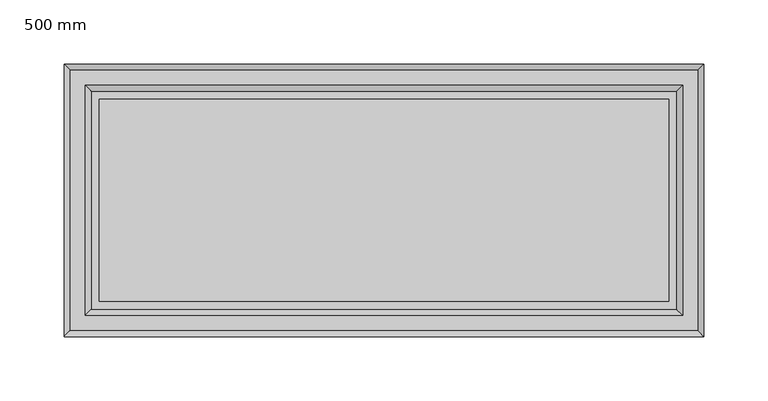
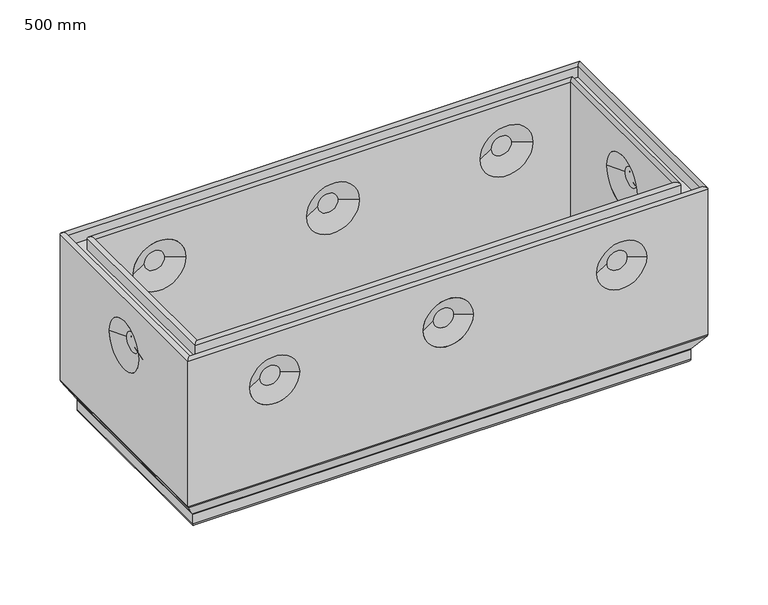
"""IFC4 building model written with IfcOpenShell, lengths in millimetres: proxy geometry, 500 mm."""

from ifc_helpers import new_model, si_unit, frame, origin, place, context, project, spatial, polyline, circle_curve, ellipse_curve, outline, extrude, source, transform, mapped, element, save
from ifc_brep_helpers import plane_surface, cylinder_surface, revolved_surface, advanced_brep


def proxy_500_mm_a37d026f(model_context):
    return source(origin(), model_context, "Body", "SolidModel", [
        advanced_brep(
        [(471.9583184, 78.5563946, 0.0), (471.9583184, 78.5563946, -18.8303869), (471.9583184, -78.9583184, -18.8303869), (471.9583184, -78.9583184, 0.0), (478.4019238, 85.0, 159.4090799), (478.4019238, 85.0, 0.0), (478.4019238, -85.4019238, 0.0), (478.4019238, -85.4019238, 159.4090799), (478.4019238, -25.4516455, 111.3137619), (478.4019238, 25.0497217, 111.3137619), (482.9119238, -89.9119238, 159.4090799), (482.9119238, 89.51, 159.4090799), (482.9119238, -89.9119238, 148.4640799), (482.9119238, 89.51, 148.4640799), (494.8919238, 101.49, 159.4094667), (494.8919238, 101.49, 148.4640799), (494.8919238, -101.8919238, 148.4640799), (494.8919238, -101.8919238, 159.4094667), (499.4019238, -106.4019238, 159.4094667), (499.4019238, 106.0, 159.4094667), (499.4019238, -106.4019238, 11.767597), (499.4019238, 106.0, 11.767597), (499.4019238, 24.1333103, 111.3137619), (499.4019238, -24.5352341, 111.3137619), (498.9320981, -105.9320981, 10.1556982), (498.9320981, 105.5301743, 10.1556982), (489.1932312, -96.1932312, -5.1312607), (489.1932312, 95.7913074, -5.1312607), (488.9583184, -95.9583184, -5.9372101), (488.9583184, 95.5563946, -5.9372101), (488.9583184, -95.9583184, -15.8303869), (488.9583184, 95.5563946, -15.8303869), (485.9583184, -92.9583184, -18.8303869), (485.9583184, 92.5563946, -18.8303869), (28.0416816, -78.9583184, -18.8303869), (28.0416816, -78.9583184, 0.0), (21.5980762, -85.4019238, 0.0), (21.5980762, -85.4019238, 159.4090799), (58.4993164, -85.4019238, 111.3137619), (109.0006836, -85.4019238, 111.3137619), (224.9993164, -85.4019238, 111.3137619), (275.5006836, -85.4019238, 111.3137619), (391.4993164, -85.4019238, 111.3137619), (442.0006836, -85.4019238, 111.3137619), (17.0880762, -89.9119238, 159.4090799), (17.0880762, -89.9119238, 148.4640799), (5.1080762, -101.8919238, 148.4640799), (5.1080762, -101.8919238, 159.4094667), (0.5980762, -106.4019238, 159.4094667), (0.5980762, -106.4019238, 11.767597), (107.6260665, -106.4019238, 111.3137619), (59.8739335, -106.4019238, 111.3137619), (274.1260665, -106.4019238, 111.3137619), (226.3739335, -106.4019238, 111.3137619), (440.6260665, -106.4019238, 111.3137619), (392.8739335, -106.4019238, 111.3137619), (1.0679019, -105.9320981, 10.1556982), (10.8067688, -96.1932312, -5.1312607), (11.0416816, -95.9583184, -5.9372101), (11.0416816, -95.9583184, -15.8303869), (14.0416816, -92.9583184, -18.8303869), (28.0416816, 78.5563946, -18.8303869), (28.0416816, 78.5563946, 0.0), (21.5980762, 85.0, 0.0), (21.5980762, 85.0, 159.4090799), (21.5980762, 25.0497217, 111.3137619), (21.5980762, -25.4516455, 111.3137619), (17.0880762, 89.51, 159.4090799), (17.0880762, 89.51, 148.4640799), (5.1080762, 101.49, 148.4640799), (5.1080762, 101.49, 159.4094667), (0.5980762, 106.0, 159.4094667), (0.5980762, 106.0, 11.767597), (0.5980762, -24.5352341, 111.3137619), (0.5980762, 24.1333103, 111.3137619), (1.0679019, 105.5301743, 10.1556982), (10.8067688, 95.7913074, -5.1312607), (11.0416816, 95.5563946, -5.9372101), (11.0416816, 95.5563946, -15.8303869), (14.0416816, 92.5563946, -18.8303869), (109.0006836, 85.0, 111.3137619), (58.4993164, 85.0, 111.3137619), (275.5006836, 85.0, 111.3137619), (224.9993164, 85.0, 111.3137619), (442.0006836, 85.0, 111.3137619), (391.4993164, 85.0, 111.3137619), (59.4157278, 106.0, 111.3137619), (108.0842722, 106.0, 111.3137619), (225.9157278, 106.0, 111.3137619), (274.5842722, 106.0, 111.3137619), (392.4157278, 106.0, 111.3137619), (441.0842722, 106.0, 111.3137619), (74.1699511, 97.95, 111.3137619), (93.3300489, 97.95, 111.3137619), (74.1699511, -93.9519238, 111.3137619), (93.3300489, -93.9519238, 111.3137619), (240.6699511, 97.95, 111.3137619), (259.8300489, 97.95, 111.3137619), (240.6699511, -93.9519238, 111.3137619), (259.8300489, -93.9519238, 111.3137619), (407.1699511, 97.95, 111.3137619), (426.3300489, 97.95, 111.3137619), (407.1699511, -93.9519238, 111.3137619), (426.3300489, -93.9519238, 111.3137619), (74.1699511, 93.55, 111.3137619), (93.3300489, 93.55, 111.3137619), (240.6699511, 93.55, 111.3137619), (259.8300489, 93.55, 111.3137619), (407.1699511, 93.55, 111.3137619), (426.3300489, 93.55, 111.3137619), (74.1699511, -98.6019238, 111.3137619), (93.3300489, -98.6019238, 111.3137619), (240.6699511, -98.6019238, 111.3137619), (259.8300489, -98.6019238, 111.3137619), (407.1699511, -98.6019238, 111.3137619), (426.3300489, -98.6019238, 111.3137619), (8.6480762, -9.7810108, 111.3137619), (8.6480762, 9.379087, 111.3137619), (13.0480762, -9.7810108, 111.3137619), (13.0480762, 9.379087, 111.3137619), (491.3519238, -9.7810108, 111.3137619), (491.3519238, 9.379087, 111.3137619), (486.9519238, -9.7810108, 111.3137619), (486.9519238, 9.379087, 111.3137619)],
        [
            (0, 1),
            (1, 2),
            (2, 3),
            (3, 0),
            (4, 5),
            (5, 6),
            (6, 7),
            (7, 4),
            (8, 9, circle_curve(frame((478.4019238, -0.2009619, 111.3137619), z_axis=(1.0, 0.0, 0.0), x_axis=(0.0, 1.0, 0.0)), 25.2506836)),
            (9, 8, circle_curve(frame((478.4019238, -0.2009619, 111.3137619), z_axis=(1.0, 0.0, 0.0), x_axis=(0.0, -1.0, 0.0)), 25.2506836)),
            (7, 10, ellipse_curve(frame((480.6569238, -87.6569238, 159.4090799), z_axis=(0.7071067811865475, 0.7071067811865475, 0.0), x_axis=(-0.7071067811865474, 0.7071067811865476, 0.0)), 3.1890516, 2.255)),
            (10, 11),
            (11, 4, ellipse_curve(frame((480.6569238, 87.255, 159.4090799), z_axis=(0.7071067811865475, -0.7071067811865475, 0.0), x_axis=(0.7071067811865474, 0.7071067811865476, 0.0)), 3.1890516, 2.255)),
            (10, 12),
            (12, 13),
            (13, 11),
            (14, 15),
            (15, 16),
            (16, 17),
            (17, 14),
            (17, 18, ellipse_curve(frame((497.1469238, -104.1469238, 159.4094667), z_axis=(0.7071067811865475, 0.7071067811865475, 0.0), x_axis=(-0.7071067811865474, 0.7071067811865476, 0.0)), 3.1890516, 2.255)),
            (18, 19),
            (19, 14, ellipse_curve(frame((497.1469238, 103.745, 159.4094667), z_axis=(0.7071067811865475, -0.7071067811865475, 0.0), x_axis=(0.7071067811865474, 0.7071067811865476, 0.0)), 3.1890516, 2.255)),
            (18, 20),
            (20, 21),
            (21, 19),
            (22, 23, circle_curve(frame((499.4019238, -0.2009619, 111.3137619), z_axis=(-1.0, 0.0, 0.0), x_axis=(0.0, -1.0, 0.0)), 24.3342722)),
            (23, 22, circle_curve(frame((499.4019238, -0.2009619, 111.3137619), z_axis=(-1.0, 0.0, 0.0), x_axis=(0.0, 1.0, 0.0)), 24.3342722)),
            (20, 24, ellipse_curve(frame((496.4019238, -103.4019238, 11.767597), z_axis=(0.7071067811865475, 0.7071067811865475, 0.0), x_axis=(-0.7071067811865474, 0.7071067811865476, 0.0)), 4.2426407, 3.0)),
            (24, 25),
            (25, 21, ellipse_curve(frame((496.4019238, 103.0, 11.767597), z_axis=(0.7071067811865475, -0.7071067811865475, 0.0), x_axis=(0.7071067811865474, 0.7071067811865476, 0.0)), 4.2426407, 3.0)),
            (24, 26),
            (26, 27),
            (27, 25),
            (26, 28, ellipse_curve(frame((490.4583184, -97.4583184, -5.9372101), z_axis=(-0.7071067811865475, -0.7071067811865475, 0.0), x_axis=(0.7071067811865474, -0.7071067811865476, 0.0)), 2.1213203, 1.5)),
            (28, 29),
            (29, 27, ellipse_curve(frame((490.4583184, 97.0563946, -5.9372101), z_axis=(-0.7071067811865475, 0.7071067811865475, 0.0), x_axis=(-0.7071067811865474, -0.7071067811865476, 0.0)), 2.1213203, 1.5)),
            (28, 30),
            (30, 31),
            (31, 29),
            (30, 32, ellipse_curve(frame((485.9583184, -92.9583184, -15.8303869), z_axis=(0.7071067811865475, 0.7071067811865475, 0.0), x_axis=(-0.7071067811865474, 0.7071067811865476, 0.0)), 4.2426407, 3.0)),
            (32, 33),
            (33, 31, ellipse_curve(frame((485.9583184, 92.5563946, -15.8303869), z_axis=(0.7071067811865475, -0.7071067811865475, 0.0), x_axis=(0.7071067811865474, 0.7071067811865476, 0.0)), 4.2426407, 3.0)),
            (2, 34),
            (34, 35),
            (35, 3),
            (6, 36),
            (36, 37),
            (37, 7),
            (38, 39, circle_curve(frame((83.75, -85.4019238, 111.3137619), z_axis=(0.0, -1.0, 0.0), x_axis=(1.0, 0.0, 0.0)), 25.2506836)),
            (39, 38, circle_curve(frame((83.75, -85.4019238, 111.3137619), z_axis=(0.0, -1.0, 0.0), x_axis=(-1.0, 0.0, 0.0)), 25.2506836)),
            (40, 41, circle_curve(frame((250.25, -85.4019238, 111.3137619), z_axis=(0.0, -1.0, 0.0), x_axis=(1.0, 0.0, 0.0)), 25.2506836)),
            (41, 40, circle_curve(frame((250.25, -85.4019238, 111.3137619), z_axis=(0.0, -1.0, 0.0), x_axis=(-1.0, 0.0, 0.0)), 25.2506836)),
            (42, 43, circle_curve(frame((416.75, -85.4019238, 111.3137619), z_axis=(0.0, -1.0, 0.0), x_axis=(1.0, 0.0, 0.0)), 25.2506836)),
            (43, 42, circle_curve(frame((416.75, -85.4019238, 111.3137619), z_axis=(0.0, -1.0, 0.0), x_axis=(-1.0, 0.0, 0.0)), 25.2506836)),
            (37, 44, ellipse_curve(frame((19.3430762, -87.6569238, 159.4090799), z_axis=(0.7071067811865475, -0.7071067811865475, 0.0), x_axis=(0.7071067811865476, 0.7071067811865474, 0.0)), 3.1890516, 2.255)),
            (44, 10),
            (44, 45),
            (45, 12),
            (16, 46),
            (46, 47),
            (47, 17),
            (47, 48, ellipse_curve(frame((2.8530762, -104.1469238, 159.4094667), z_axis=(0.7071067811865475, -0.7071067811865475, 0.0), x_axis=(0.7071067811865476, 0.7071067811865474, 0.0)), 3.1890516, 2.255)),
            (48, 18),
            (48, 49),
            (49, 20),
            (50, 51, circle_curve(frame((83.75, -106.4019238, 111.3137619), z_axis=(0.0, 1.0, 0.0), x_axis=(-1.0, 0.0, 0.0)), 23.8760665)),
            (51, 50, circle_curve(frame((83.75, -106.4019238, 111.3137619), z_axis=(0.0, 1.0, 0.0), x_axis=(1.0, 0.0, 0.0)), 23.8760665)),
            (52, 53, circle_curve(frame((250.25, -106.4019238, 111.3137619), z_axis=(0.0, 1.0, 0.0), x_axis=(-1.0, 0.0, 0.0)), 23.8760665)),
            (53, 52, circle_curve(frame((250.25, -106.4019238, 111.3137619), z_axis=(0.0, 1.0, 0.0), x_axis=(1.0, 0.0, 0.0)), 23.8760665)),
            (54, 55, circle_curve(frame((416.75, -106.4019238, 111.3137619), z_axis=(0.0, 1.0, 0.0), x_axis=(-1.0, 0.0, 0.0)), 23.8760665)),
            (55, 54, circle_curve(frame((416.75, -106.4019238, 111.3137619), z_axis=(0.0, 1.0, 0.0), x_axis=(1.0, 0.0, 0.0)), 23.8760665)),
            (49, 56, ellipse_curve(frame((3.5980762, -103.4019238, 11.767597), z_axis=(0.7071067811865475, -0.7071067811865475, 0.0), x_axis=(0.7071067811865476, 0.7071067811865474, 0.0)), 4.2426407, 3.0)),
            (56, 24),
            (56, 57),
            (57, 26),
            (57, 58, ellipse_curve(frame((9.5416816, -97.4583184, -5.9372101), z_axis=(-0.7071067811865475, 0.7071067811865475, 0.0), x_axis=(-0.7071067811865476, -0.7071067811865474, 0.0)), 2.1213203, 1.5)),
            (58, 28),
            (58, 59),
            (59, 30),
            (59, 60, ellipse_curve(frame((14.0416816, -92.9583184, -15.8303869), z_axis=(0.7071067811865475, -0.7071067811865475, 0.0), x_axis=(0.7071067811865476, 0.7071067811865474, 0.0)), 4.2426407, 3.0)),
            (60, 32),
            (34, 61),
            (61, 62),
            (62, 35),
            (36, 63),
            (63, 64),
            (64, 37),
            (65, 66, circle_curve(frame((21.5980762, -0.2009619, 111.3137619), z_axis=(-1.0, 0.0, 0.0), x_axis=(0.0, -1.0, 0.0)), 25.2506836)),
            (66, 65, circle_curve(frame((21.5980762, -0.2009619, 111.3137619), z_axis=(-1.0, 0.0, 0.0), x_axis=(0.0, 1.0, 0.0)), 25.2506836)),
            (64, 67, ellipse_curve(frame((19.3430762, 87.255, 159.4090799), z_axis=(-0.7071067811865475, -0.7071067811865475, 0.0), x_axis=(0.7071067811865474, -0.7071067811865476, 0.0)), 3.1890516, 2.255)),
            (67, 44),
            (67, 68),
            (68, 45),
            (46, 69),
            (69, 70),
            (70, 47),
            (70, 71, ellipse_curve(frame((2.8530762, 103.745, 159.4094667), z_axis=(-0.7071067811865475, -0.7071067811865475, 0.0), x_axis=(0.7071067811865474, -0.7071067811865476, 0.0)), 3.1890516, 2.255)),
            (71, 48),
            (71, 72),
            (72, 49),
            (73, 74, circle_curve(frame((0.5980762, -0.2009619, 111.3137619), z_axis=(1.0, 0.0, 0.0), x_axis=(0.0, 1.0, 0.0)), 24.3342722)),
            (74, 73, circle_curve(frame((0.5980762, -0.2009619, 111.3137619), z_axis=(1.0, 0.0, 0.0), x_axis=(0.0, -1.0, 0.0)), 24.3342722)),
            (72, 75, ellipse_curve(frame((3.5980762, 103.0, 11.767597), z_axis=(-0.7071067811865475, -0.7071067811865475, 0.0), x_axis=(0.7071067811865474, -0.7071067811865476, 0.0)), 4.2426407, 3.0)),
            (75, 56),
            (75, 76),
            (76, 57),
            (76, 77, ellipse_curve(frame((9.5416816, 97.0563946, -5.9372101), z_axis=(0.7071067811865475, 0.7071067811865475, 0.0), x_axis=(-0.7071067811865474, 0.7071067811865476, 0.0)), 2.1213203, 1.5)),
            (77, 58),
            (77, 78),
            (78, 59),
            (78, 79, ellipse_curve(frame((14.0416816, 92.5563946, -15.8303869), z_axis=(-0.7071067811865475, -0.7071067811865475, 0.0), x_axis=(0.7071067811865474, -0.7071067811865476, 0.0)), 4.2426407, 3.0)),
            (79, 60),
            (0, 62),
            (61, 1),
            (5, 63),
            (4, 64),
            (80, 81, circle_curve(frame((83.75, 85.0, 111.3137619), z_axis=(0.0, 1.0, 0.0), x_axis=(-1.0, 0.0, 0.0)), 25.2506836)),
            (81, 80, circle_curve(frame((83.75, 85.0, 111.3137619), z_axis=(0.0, 1.0, 0.0), x_axis=(1.0, 0.0, 0.0)), 25.2506836)),
            (82, 83, circle_curve(frame((250.25, 85.0, 111.3137619), z_axis=(0.0, 1.0, 0.0), x_axis=(-1.0, 0.0, 0.0)), 25.2506836)),
            (83, 82, circle_curve(frame((250.25, 85.0, 111.3137619), z_axis=(0.0, 1.0, 0.0), x_axis=(1.0, 0.0, 0.0)), 25.2506836)),
            (84, 85, circle_curve(frame((416.75, 85.0, 111.3137619), z_axis=(0.0, 1.0, 0.0), x_axis=(-1.0, 0.0, 0.0)), 25.2506836)),
            (85, 84, circle_curve(frame((416.75, 85.0, 111.3137619), z_axis=(0.0, 1.0, 0.0), x_axis=(1.0, 0.0, 0.0)), 25.2506836)),
            (11, 67),
            (13, 68),
            (15, 69),
            (14, 70),
            (19, 71),
            (21, 72),
            (86, 87, circle_curve(frame((83.75, 106.0, 111.3137619), z_axis=(0.0, -1.0, 0.0), x_axis=(1.0, 0.0, 0.0)), 24.3342722)),
            (87, 86, circle_curve(frame((83.75, 106.0, 111.3137619), z_axis=(0.0, -1.0, 0.0), x_axis=(-1.0, 0.0, 0.0)), 24.3342722)),
            (88, 89, circle_curve(frame((250.25, 106.0, 111.3137619), z_axis=(0.0, -1.0, 0.0), x_axis=(1.0, 0.0, 0.0)), 24.3342722)),
            (89, 88, circle_curve(frame((250.25, 106.0, 111.3137619), z_axis=(0.0, -1.0, 0.0), x_axis=(-1.0, 0.0, 0.0)), 24.3342722)),
            (90, 91, circle_curve(frame((416.75, 106.0, 111.3137619), z_axis=(0.0, -1.0, 0.0), x_axis=(1.0, 0.0, 0.0)), 24.3342722)),
            (91, 90, circle_curve(frame((416.75, 106.0, 111.3137619), z_axis=(0.0, -1.0, 0.0), x_axis=(-1.0, 0.0, 0.0)), 24.3342722)),
            (25, 75),
            (27, 76),
            (29, 77),
            (31, 78),
            (33, 79),
            (92, 93, circle_curve(frame((83.75, 97.95, 111.3137619), z_axis=(0.0, 1.0, 0.0), x_axis=(-1.0, 0.0, 0.0)), 9.5800489)),
            (93, 92, circle_curve(frame((83.75, 97.95, 111.3137619), z_axis=(0.0, 1.0, 0.0), x_axis=(1.0, 0.0, 0.0)), 9.5800489)),
            (93, 87),
            (86, 92),
            (94, 95, circle_curve(frame((83.75, -93.9519238, 111.3137619), z_axis=(0.0, 1.0, 0.0), x_axis=(-1.0, 0.0, 0.0)), 9.5800489)),
            (95, 94, circle_curve(frame((83.75, -93.9519238, 111.3137619), z_axis=(0.0, 1.0, 0.0), x_axis=(1.0, 0.0, 0.0)), 9.5800489)),
            (95, 39),
            (38, 94),
            (96, 97, circle_curve(frame((250.25, 97.95, 111.3137619), z_axis=(0.0, 1.0, 0.0), x_axis=(-1.0, 0.0, 0.0)), 9.5800489)),
            (97, 96, circle_curve(frame((250.25, 97.95, 111.3137619), z_axis=(0.0, 1.0, 0.0), x_axis=(1.0, 0.0, 0.0)), 9.5800489)),
            (97, 89),
            (88, 96),
            (98, 99, circle_curve(frame((250.25, -93.9519238, 111.3137619), z_axis=(0.0, 1.0, 0.0), x_axis=(-1.0, 0.0, 0.0)), 9.5800489)),
            (99, 98, circle_curve(frame((250.25, -93.9519238, 111.3137619), z_axis=(0.0, 1.0, 0.0), x_axis=(1.0, 0.0, 0.0)), 9.5800489)),
            (99, 41),
            (40, 98),
            (100, 101, circle_curve(frame((416.75, 97.95, 111.3137619), z_axis=(0.0, 1.0, 0.0), x_axis=(-1.0, 0.0, 0.0)), 9.5800489)),
            (101, 100, circle_curve(frame((416.75, 97.95, 111.3137619), z_axis=(0.0, 1.0, 0.0), x_axis=(1.0, 0.0, 0.0)), 9.5800489)),
            (101, 91),
            (90, 100),
            (102, 103, circle_curve(frame((416.75, -93.9519238, 111.3137619), z_axis=(0.0, 1.0, 0.0), x_axis=(-1.0, 0.0, 0.0)), 9.5800489)),
            (103, 102, circle_curve(frame((416.75, -93.9519238, 111.3137619), z_axis=(0.0, 1.0, 0.0), x_axis=(1.0, 0.0, 0.0)), 9.5800489)),
            (103, 43),
            (42, 102),
            (104, 105, circle_curve(frame((83.75, 93.55, 111.3137619), z_axis=(0.0, -1.0, 0.0), x_axis=(-1.0, 0.0, 0.0)), 9.5800489)),
            (105, 104, circle_curve(frame((83.75, 93.55, 111.3137619), z_axis=(0.0, -1.0, 0.0), x_axis=(1.0, 0.0, 0.0)), 9.5800489)),
            (104, 81),
            (80, 105),
            (106, 107, circle_curve(frame((250.25, 93.55, 111.3137619), z_axis=(0.0, -1.0, 0.0), x_axis=(-1.0, 0.0, 0.0)), 9.5800489)),
            (107, 106, circle_curve(frame((250.25, 93.55, 111.3137619), z_axis=(0.0, -1.0, 0.0), x_axis=(1.0, 0.0, 0.0)), 9.5800489)),
            (106, 83),
            (82, 107),
            (108, 109, circle_curve(frame((416.75, 93.55, 111.3137619), z_axis=(0.0, -1.0, 0.0), x_axis=(-1.0, 0.0, 0.0)), 9.5800489)),
            (109, 108, circle_curve(frame((416.75, 93.55, 111.3137619), z_axis=(0.0, -1.0, 0.0), x_axis=(1.0, 0.0, 0.0)), 9.5800489)),
            (108, 85),
            (84, 109),
            (110, 111, circle_curve(frame((83.75, -98.6019238, 111.3137619), z_axis=(0.0, -1.0, 0.0), x_axis=(-1.0, 0.0, 0.0)), 9.5800489)),
            (111, 110, circle_curve(frame((83.75, -98.6019238, 111.3137619), z_axis=(0.0, -1.0, 0.0), x_axis=(1.0, 0.0, 0.0)), 9.5800489)),
            (110, 51),
            (50, 111),
            (112, 113, circle_curve(frame((250.25, -98.6019238, 111.3137619), z_axis=(0.0, -1.0, 0.0), x_axis=(-1.0, 0.0, 0.0)), 9.5800489)),
            (113, 112, circle_curve(frame((250.25, -98.6019238, 111.3137619), z_axis=(0.0, -1.0, 0.0), x_axis=(1.0, 0.0, 0.0)), 9.5800489)),
            (112, 53),
            (52, 113),
            (114, 115, circle_curve(frame((416.75, -98.6019238, 111.3137619), z_axis=(0.0, -1.0, 0.0), x_axis=(-1.0, 0.0, 0.0)), 9.5800489)),
            (115, 114, circle_curve(frame((416.75, -98.6019238, 111.3137619), z_axis=(0.0, -1.0, 0.0), x_axis=(1.0, 0.0, 0.0)), 9.5800489)),
            (114, 55),
            (54, 115),
            (116, 117, circle_curve(frame((8.6480762, -0.2009619, 111.3137619), z_axis=(-1.0, 0.0, 0.0), x_axis=(0.0, -1.0, 0.0)), 9.5800489)),
            (117, 116, circle_curve(frame((8.6480762, -0.2009619, 111.3137619), z_axis=(-1.0, 0.0, 0.0), x_axis=(0.0, 1.0, 0.0)), 9.5800489)),
            (117, 74),
            (73, 116),
            (118, 119, circle_curve(frame((13.0480762, -0.2009619, 111.3137619), z_axis=(1.0, 0.0, 0.0), x_axis=(0.0, -1.0, 0.0)), 9.5800489)),
            (119, 118, circle_curve(frame((13.0480762, -0.2009619, 111.3137619), z_axis=(1.0, 0.0, 0.0), x_axis=(0.0, 1.0, 0.0)), 9.5800489)),
            (118, 66),
            (65, 119),
            (120, 121, circle_curve(frame((491.3519238, -0.2009619, 111.3137619), z_axis=(1.0, 0.0, 0.0), x_axis=(0.0, -1.0, 0.0)), 9.5800489)),
            (121, 120, circle_curve(frame((491.3519238, -0.2009619, 111.3137619), z_axis=(1.0, 0.0, 0.0), x_axis=(0.0, 1.0, 0.0)), 9.5800489)),
            (120, 23),
            (22, 121),
            (122, 123, circle_curve(frame((486.9519238, -0.2009619, 111.3137619), z_axis=(-1.0, 0.0, 0.0), x_axis=(0.0, -1.0, 0.0)), 9.5800489)),
            (123, 122, circle_curve(frame((486.9519238, -0.2009619, 111.3137619), z_axis=(-1.0, 0.0, 0.0), x_axis=(0.0, 1.0, 0.0)), 9.5800489)),
            (123, 9),
            (8, 122),
        ],
        [
            plane_surface(frame((471.9583184, 78.5563946, -18.8303869), z_axis=(-1.0, 0.0, 0.0), x_axis=(0.0, -1.0, 0.0))),
            plane_surface(frame((478.4019238, 85.0, 0.0), z_axis=(-1.0, 0.0, 0.0), x_axis=(0.0, -1.0, 0.0))),
            cylinder_surface(frame((480.6569238, 85.0980762, 159.4090799), z_axis=(0.0, 1.0, 0.0), x_axis=(1.0, 0.0, 0.0)), 2.255),
            plane_surface(frame((482.9119238, 89.51, 159.4090799), z_axis=(1.0, 0.0, 0.0), x_axis=(0.0, -1.0, 0.0))),
            plane_surface(frame((494.8919238, 101.49, 148.4640799), z_axis=(-1.0, 0.0, 0.0), x_axis=(0.0, -1.0, 0.0))),
            cylinder_surface(frame((497.1469238, 85.0980762, 159.4094667), z_axis=(0.0, 1.0, 0.0), x_axis=(1.0, 0.0, 0.0)), 2.255),
            plane_surface(frame((499.4019238, 106.0, 159.4094667), z_axis=(1.0, 0.0, 0.0), x_axis=(0.0, -1.0, 0.0))),
            cylinder_surface(frame((496.4019238, 85.0980762, 11.767597), z_axis=(0.0, 1.0, 0.0), x_axis=(1.0, 0.0, 0.0)), 3.0),
            plane_surface(frame((498.9320981, 105.5301743, 10.1556982), z_axis=(0.8433914458128872, 0.0, -0.5372996083468217), x_axis=(0.0, -1.0, 0.0))),
            revolved_surface(polyline([(491.9583184, -98.95831836919866, -5.9372101), (491.9583184, 98.55639456919869, -5.9372101)]), (490.4583184, 85.0980762, -5.9372101), (0.0, -1.0, 0.0)),
            plane_surface(frame((488.9583184, 95.5563946, -5.9372101), z_axis=(1.0, 0.0, 0.0), x_axis=(0.0, -1.0, 0.0))),
            cylinder_surface(frame((485.9583184, 85.0980762, -15.8303869), z_axis=(0.0, 1.0, 0.0), x_axis=(1.0, 0.0, 0.0)), 3.0),
            plane_surface(frame((471.9583184, -78.9583184, -18.8303869), z_axis=(0.0, 1.0, 0.0), x_axis=(-1.0, 0.0, 0.0))),
            plane_surface(frame((478.4019238, -85.4019238, 0.0), z_axis=(0.0, 1.0, 0.0), x_axis=(-1.0, 0.0, 0.0))),
            cylinder_surface(frame((478.5, -87.6569238, 159.4090799), z_axis=(1.0, 0.0, 0.0), x_axis=(0.0, -1.0, 0.0)), 2.255),
            plane_surface(frame((482.9119238, -89.9119238, 159.4090799), z_axis=(0.0, -1.0, 0.0), x_axis=(-1.0, 0.0, 0.0))),
            plane_surface(frame((494.8919238, -101.8919238, 148.4640799), z_axis=(0.0, 1.0, 0.0), x_axis=(-1.0, 0.0, 0.0))),
            cylinder_surface(frame((478.5, -104.1469238, 159.4094667), z_axis=(1.0, 0.0, 0.0), x_axis=(0.0, -1.0, 0.0)), 2.255),
            plane_surface(frame((499.4019238, -106.4019238, 159.4094667), z_axis=(0.0, -1.0, 0.0), x_axis=(-1.0, 0.0, 0.0))),
            cylinder_surface(frame((478.5, -103.4019238, 11.767597), z_axis=(1.0, 0.0, 0.0), x_axis=(0.0, -1.0, 0.0)), 3.0),
            plane_surface(frame((498.9320981, -105.9320981, 10.1556982), z_axis=(0.0, -0.8433914458128872, -0.5372996083468217), x_axis=(-1.0, 0.0, 0.0))),
            revolved_surface(polyline([(8.04168163080135, -98.9583184, -5.9372101), (491.95831836919865, -98.9583184, -5.9372101)]), (478.5, -97.4583184, -5.9372101), (-1.0, 0.0, 0.0)),
            plane_surface(frame((488.9583184, -95.9583184, -5.9372101), z_axis=(0.0, -1.0, 0.0), x_axis=(-1.0, 0.0, 0.0))),
            cylinder_surface(frame((478.5, -92.9583184, -15.8303869), z_axis=(1.0, 0.0, 0.0), x_axis=(0.0, -1.0, 0.0)), 3.0),
            plane_surface(frame((28.0416816, -78.9583184, -18.8303869), z_axis=(1.0, 0.0, 0.0), x_axis=(0.0, 1.0, 0.0))),
            plane_surface(frame((21.5980762, -85.4019238, 0.0), z_axis=(1.0, 0.0, 0.0), x_axis=(0.0, 1.0, 0.0))),
            cylinder_surface(frame((19.3430762, -85.5, 159.4090799), z_axis=(0.0, -1.0, 0.0), x_axis=(-1.0, 0.0, 0.0)), 2.255),
            plane_surface(frame((17.0880762, -89.9119238, 159.4090799), z_axis=(-1.0, 0.0, 0.0), x_axis=(0.0, 1.0, 0.0))),
            plane_surface(frame((5.1080762, -101.8919238, 148.4640799), z_axis=(1.0, 0.0, 0.0), x_axis=(0.0, 1.0, 0.0))),
            cylinder_surface(frame((2.8530762, -85.5, 159.4094667), z_axis=(0.0, -1.0, 0.0), x_axis=(-1.0, 0.0, 0.0)), 2.255),
            plane_surface(frame((0.5980762, -106.4019238, 159.4094667), z_axis=(-1.0, 0.0, 0.0), x_axis=(0.0, 1.0, 0.0))),
            cylinder_surface(frame((3.5980762, -85.5, 11.767597), z_axis=(0.0, -1.0, 0.0), x_axis=(-1.0, 0.0, 0.0)), 3.0),
            plane_surface(frame((1.0679019, -105.9320981, 10.1556982), z_axis=(-0.8433914458128872, 0.0, -0.5372996083468217), x_axis=(0.0, 1.0, 0.0))),
            revolved_surface(polyline([(8.0416816, 98.55639456919869, -5.9372101), (8.0416816, -98.95831836919868, -5.9372101)]), (9.5416816, -85.5, -5.9372101), (0.0, 1.0, 0.0)),
            plane_surface(frame((11.0416816, -95.9583184, -5.9372101), z_axis=(-1.0, 0.0, 0.0), x_axis=(0.0, 1.0, 0.0))),
            cylinder_surface(frame((14.0416816, -85.5, -15.8303869), z_axis=(0.0, -1.0, 0.0), x_axis=(-1.0, 0.0, 0.0)), 3.0),
            plane_surface(frame((28.0416816, 78.5563946, -18.8303869), z_axis=(0.0, -1.0, 0.0), x_axis=(1.0, 0.0, 0.0))),
            plane_surface(frame((28.0416816, 78.5563946, 0.0), z_axis=(0.0, 0.0, 1.0), x_axis=(1.0, 0.0, 0.0))),
            plane_surface(frame((21.5980762, 85.0, 0.0), z_axis=(0.0, -1.0, 0.0), x_axis=(1.0, 0.0, 0.0))),
            cylinder_surface(frame((21.5, 87.255, 159.4090799), z_axis=(-1.0, 0.0, 0.0), x_axis=(0.0, 1.0, 0.0)), 2.255),
            plane_surface(frame((17.0880762, 89.51, 159.4090799), z_axis=(0.0, 1.0, 0.0), x_axis=(1.0, 0.0, 0.0))),
            plane_surface(frame((17.0880762, 89.51, 148.4640799), z_axis=(0.0, 0.0, 1.0), x_axis=(1.0, 0.0, 0.0))),
            plane_surface(frame((5.1080762, 101.49, 148.4640799), z_axis=(0.0, -1.0, 0.0), x_axis=(1.0, 0.0, 0.0))),
            cylinder_surface(frame((21.5, 103.745, 159.4094667), z_axis=(-1.0, 0.0, 0.0), x_axis=(0.0, 1.0, 0.0)), 2.255),
            plane_surface(frame((0.5980762, 106.0, 159.4094667), z_axis=(0.0, 1.0, 0.0), x_axis=(1.0, 0.0, 0.0))),
            cylinder_surface(frame((21.5, 103.0, 11.767597), z_axis=(-1.0, 0.0, 0.0), x_axis=(0.0, 1.0, 0.0)), 3.0),
            plane_surface(frame((1.0679019, 105.5301743, 10.1556982), z_axis=(0.0, 0.8433914458128872, -0.5372996083468217), x_axis=(1.0, 0.0, 0.0))),
            revolved_surface(polyline([(491.95831836919865, 98.5563946, -5.9372101), (8.04168163080132, 98.5563946, -5.9372101)]), (21.5, 97.0563946, -5.9372101), (1.0, 0.0, 0.0)),
            plane_surface(frame((11.0416816, 95.5563946, -5.9372101), z_axis=(0.0, 1.0, 0.0), x_axis=(1.0, 0.0, 0.0))),
            cylinder_surface(frame((21.5, 92.5563946, -15.8303869), z_axis=(-1.0, 0.0, 0.0), x_axis=(0.0, 1.0, 0.0)), 3.0),
            plane_surface(frame((14.0416816, 92.5563946, -18.8303869), z_axis=(0.0, 0.0, -1.0), x_axis=(1.0, 0.0, 0.0))),
            plane_surface(frame((83.75, 97.95, 111.3137619), z_axis=(0.0, 1.0, 0.0), x_axis=(0.0, 0.0, 1.0))),
            revolved_surface(polyline([(108.0842722, 106.0, 111.3137619), (93.33004894162178, 97.95, 111.3137619)]), (83.75, 92.7230631, 111.3137619), (0.0, 1.0, 0.0)),
            revolved_surface(polyline([(59.4157278, 106.0, 111.3137619), (74.16995105837822, 97.95, 111.3137619)]), (83.75, 92.7230631, 111.3137619), (0.0, 1.0, 0.0)),
            plane_surface(frame((83.75, -93.9519238, 111.3137619), z_axis=(0.0, 1.0, 0.0), x_axis=(0.0, 0.0, 1.0))),
            revolved_surface(polyline([(109.0006836, -85.4019238, 111.3137619), (93.33004894825822, -93.9519238, 111.3137619)]), (83.75, -99.1788607, 111.3137619), (0.0, 1.0, 0.0)),
            revolved_surface(polyline([(58.4993164, -85.4019238, 111.3137619), (74.16995105174178, -93.9519238, 111.3137619)]), (83.75, -99.1788607, 111.3137619), (0.0, 1.0, 0.0)),
            plane_surface(frame((250.25, 97.95, 111.3137619), z_axis=(0.0, 1.0, 0.0), x_axis=(0.0, 0.0, 1.0))),
            revolved_surface(polyline([(274.5842722, 106.0, 111.3137619), (259.8300489416218, 97.95, 111.3137619)]), (250.25, 92.7230631, 111.3137619), (0.0, 1.0, 0.0)),
            revolved_surface(polyline([(225.9157278, 106.0, 111.3137619), (240.66995105837822, 97.95, 111.3137619)]), (250.25, 92.7230631, 111.3137619), (0.0, 1.0, 0.0)),
            plane_surface(frame((250.25, -93.9519238, 111.3137619), z_axis=(0.0, 1.0, 0.0), x_axis=(0.0, 0.0, 1.0))),
            revolved_surface(polyline([(275.5006836, -85.4019238, 111.3137619), (259.8300489482582, -93.9519238, 111.3137619)]), (250.25, -99.1788607, 111.3137619), (0.0, 1.0, 0.0)),
            revolved_surface(polyline([(224.9993164, -85.4019238, 111.3137619), (240.66995105174178, -93.9519238, 111.3137619)]), (250.25, -99.1788607, 111.3137619), (0.0, 1.0, 0.0)),
            plane_surface(frame((416.75, 97.95, 111.3137619), z_axis=(0.0, 1.0, 0.0), x_axis=(0.0, 0.0, 1.0))),
            revolved_surface(polyline([(441.0842722, 106.0, 111.3137619), (426.3300489416218, 97.95, 111.3137619)]), (416.75, 92.7230631, 111.3137619), (0.0, 1.0, 0.0)),
            revolved_surface(polyline([(392.4157278, 106.0, 111.3137619), (407.1699510583782, 97.95, 111.3137619)]), (416.75, 92.7230631, 111.3137619), (0.0, 1.0, 0.0)),
            plane_surface(frame((416.75, -93.9519238, 111.3137619), z_axis=(0.0, 1.0, 0.0), x_axis=(0.0, 0.0, 1.0))),
            revolved_surface(polyline([(442.0006836, -85.4019238, 111.3137619), (426.3300489482582, -93.9519238, 111.3137619)]), (416.75, -99.1788607, 111.3137619), (0.0, 1.0, 0.0)),
            revolved_surface(polyline([(391.4993164, -85.4019238, 111.3137619), (407.1699510517418, -93.9519238, 111.3137619)]), (416.75, -99.1788607, 111.3137619), (0.0, 1.0, 0.0)),
            plane_surface(frame((83.75, 93.55, 111.3137619), z_axis=(0.0, -1.0, 0.0), x_axis=(0.0, 0.0, -1.0))),
            revolved_surface(polyline([(58.4993164, 85.0, 111.3137619), (74.16995105174178, 93.55, 111.3137619)]), (83.75, 98.7769369, 111.3137619), (0.0, -1.0, 0.0)),
            revolved_surface(polyline([(109.0006836, 85.0, 111.3137619), (93.33004894825822, 93.55, 111.3137619)]), (83.75, 98.7769369, 111.3137619), (0.0, -1.0, 0.0)),
            plane_surface(frame((250.25, 93.55, 111.3137619), z_axis=(0.0, -1.0, 0.0), x_axis=(0.0, 0.0, -1.0))),
            revolved_surface(polyline([(224.9993164, 85.0, 111.3137619), (240.66995105174178, 93.55, 111.3137619)]), (250.25, 98.7769369, 111.3137619), (0.0, -1.0, 0.0)),
            revolved_surface(polyline([(275.5006836, 85.0, 111.3137619), (259.8300489482582, 93.55, 111.3137619)]), (250.25, 98.7769369, 111.3137619), (0.0, -1.0, 0.0)),
            plane_surface(frame((416.75, 93.55, 111.3137619), z_axis=(0.0, -1.0, 0.0), x_axis=(0.0, 0.0, -1.0))),
            revolved_surface(polyline([(391.4993164, 85.0, 111.3137619), (407.1699510517418, 93.55, 111.3137619)]), (416.75, 98.7769369, 111.3137619), (0.0, -1.0, 0.0)),
            revolved_surface(polyline([(442.0006836, 85.0, 111.3137619), (426.3300489482582, 93.55, 111.3137619)]), (416.75, 98.7769369, 111.3137619), (0.0, -1.0, 0.0)),
            plane_surface(frame((83.75, -98.6019238, 111.3137619), z_axis=(0.0, -1.0, 0.0), x_axis=(0.0, 0.0, -1.0))),
            revolved_surface(polyline([(59.8739335, -106.4019238, 111.3137619), (74.16995106188749, -98.6019238, 111.3137619)]), (83.75, -93.3749869, 111.3137619), (0.0, -1.0, 0.0)),
            revolved_surface(polyline([(107.6260665, -106.4019238, 111.3137619), (93.33004893811251, -98.6019238, 111.3137619)]), (83.75, -93.3749869, 111.3137619), (0.0, -1.0, 0.0)),
            plane_surface(frame((250.25, -98.6019238, 111.3137619), z_axis=(0.0, -1.0, 0.0), x_axis=(0.0, 0.0, -1.0))),
            revolved_surface(polyline([(226.3739335, -106.4019238, 111.3137619), (240.66995106188747, -98.6019238, 111.3137619)]), (250.25, -93.3749869, 111.3137619), (0.0, -1.0, 0.0)),
            revolved_surface(polyline([(274.1260665, -106.4019238, 111.3137619), (259.8300489381125, -98.6019238, 111.3137619)]), (250.25, -93.3749869, 111.3137619), (0.0, -1.0, 0.0)),
            plane_surface(frame((416.75, -98.6019238, 111.3137619), z_axis=(0.0, -1.0, 0.0), x_axis=(0.0, 0.0, -1.0))),
            revolved_surface(polyline([(392.8739335, -106.4019238, 111.3137619), (407.1699510618875, -98.6019238, 111.3137619)]), (416.75, -93.3749869, 111.3137619), (0.0, -1.0, 0.0)),
            revolved_surface(polyline([(440.6260665, -106.4019238, 111.3137619), (426.3300489381125, -98.6019238, 111.3137619)]), (416.75, -93.3749869, 111.3137619), (0.0, -1.0, 0.0)),
            plane_surface(frame((8.6480762, -0.2009619, 111.3137619), z_axis=(-1.0, 0.0, 0.0), x_axis=(0.0, 0.0, 1.0))),
            revolved_surface(polyline([(0.5980761999999995, 24.1333103, 111.3137619), (8.6480762, 9.379087041621782, 111.3137619)]), (13.8750131, -0.2009619, 111.3137619), (-1.0, 0.0, 0.0)),
            revolved_surface(polyline([(0.5980761999999995, -24.5352341, 111.3137619), (8.6480762, -9.78101084162178, 111.3137619)]), (13.8750131, -0.2009619, 111.3137619), (-1.0, 0.0, 0.0)),
            plane_surface(frame((13.0480762, -0.2009619, 111.3137619), z_axis=(1.0, 0.0, 0.0), x_axis=(0.0, 0.0, -1.0))),
            revolved_surface(polyline([(21.5980762, -25.4516455, 111.3137619), (13.0480762, -9.781010848258218, 111.3137619)]), (7.8211393, -0.2009619, 111.3137619), (1.0, 0.0, 0.0)),
            revolved_surface(polyline([(21.5980762, 25.0497217, 111.3137619), (13.0480762, 9.379087048258219, 111.3137619)]), (7.8211393, -0.2009619, 111.3137619), (1.0, 0.0, 0.0)),
            plane_surface(frame((491.3519238, -0.2009619, 111.3137619), z_axis=(1.0, 0.0, 0.0), x_axis=(0.0, 0.0, -1.0))),
            revolved_surface(polyline([(499.4019238, -24.5352341, 111.3137619), (491.3519238, -9.781010841621772, 111.3137619)]), (486.1249869, -0.2009619, 111.3137619), (1.0, 0.0, 0.0)),
            revolved_surface(polyline([(499.4019238, 24.1333103, 111.3137619), (491.3519238, 9.379087041621773, 111.3137619)]), (486.1249869, -0.2009619, 111.3137619), (1.0, 0.0, 0.0)),
            plane_surface(frame((486.9519238, -0.2009619, 111.3137619), z_axis=(-1.0, 0.0, 0.0), x_axis=(0.0, 0.0, 1.0))),
            revolved_surface(polyline([(478.4019238, 25.0497217, 111.3137619), (486.9519238, 9.379087048258247, 111.3137619)]), (492.1788607, -0.2009619, 111.3137619), (-1.0, 0.0, 0.0)),
            revolved_surface(polyline([(478.4019238, -25.4516455, 111.3137619), (486.9519238, -9.781010848258248, 111.3137619)]), (492.1788607, -0.2009619, 111.3137619), (-1.0, 0.0, 0.0)),
        ],
        [
            (0, [[1, 2, 3, 4]]),
            (1, [[5, 6, 7, 8], [9, 10]]),
            (2, [[-8, 11, 12, 13]]),
            (3, [[-12, 14, 15, 16]]),
            (4, [[17, 18, 19, 20]]),
            (5, [[-20, 21, 22, 23]]),
            (6, [[-22, 24, 25, 26], [27, 28]]),
            (7, [[-25, 29, 30, 31]]),
            (8, [[-30, 32, 33, 34]]),
            (9, [[-33, 35, 36, 37]]),
            (10, [[-36, 38, 39, 40]]),
            (11, [[-39, 41, 42, 43]]),
            (12, [[-3, 44, 45, 46]]),
            (13, [[-7, 47, 48, 49], [50, 51], [52, 53], [54, 55]]),
            (14, [[-11, -49, 56, 57]]),
            (15, [[-14, -57, 58, 59]]),
            (16, [[-19, 60, 61, 62]]),
            (17, [[-21, -62, 63, 64]]),
            (18, [[-24, -64, 65, 66], [67, 68], [69, 70], [71, 72]]),
            (19, [[-29, -66, 73, 74]]),
            (20, [[-32, -74, 75, 76]]),
            (21, [[-35, -76, 77, 78]]),
            (22, [[-38, -78, 79, 80]]),
            (23, [[-41, -80, 81, 82]]),
            (24, [[-45, 83, 84, 85]]),
            (25, [[-48, 86, 87, 88], [89, 90]]),
            (26, [[-56, -88, 91, 92]]),
            (27, [[-58, -92, 93, 94]]),
            (28, [[-61, 95, 96, 97]]),
            (29, [[-63, -97, 98, 99]]),
            (30, [[-65, -99, 100, 101], [102, 103]]),
            (31, [[-73, -101, 104, 105]]),
            (32, [[-75, -105, 106, 107]]),
            (33, [[-77, -107, 108, 109]]),
            (34, [[-79, -109, 110, 111]]),
            (35, [[-81, -111, 112, 113]]),
            (36, [[-1, 114, -84, 115]]),
            (37, [[-6, 116, -86, -47], [-4, -46, -85, -114]]),
            (38, [[-5, 117, -87, -116], [118, 119], [120, 121], [122, 123]]),
            (39, [[-13, 124, -91, -117]]),
            (40, [[-16, 125, -93, -124]]),
            (41, [[-18, 126, -95, -60], [-15, -59, -94, -125]]),
            (42, [[-17, 127, -96, -126]]),
            (43, [[-23, 128, -98, -127]]),
            (44, [[-26, 129, -100, -128], [130, 131], [132, 133], [134, 135]]),
            (45, [[-31, 136, -104, -129]]),
            (46, [[-34, 137, -106, -136]]),
            (47, [[-37, 138, -108, -137]]),
            (48, [[-40, 139, -110, -138]]),
            (49, [[-43, 140, -112, -139]]),
            (50, [[-42, -82, -113, -140], [-2, -115, -83, -44]]),
            (51, [[141, 142]]),
            (52, [[-142, 143, -130, 144]]),
            (53, [[-141, -144, -131, -143]]),
            (54, [[145, 146]]),
            (55, [[-146, 147, -50, 148]]),
            (56, [[-145, -148, -51, -147]]),
            (57, [[149, 150]]),
            (58, [[-150, 151, -132, 152]]),
            (59, [[-149, -152, -133, -151]]),
            (60, [[153, 154]]),
            (61, [[-154, 155, -52, 156]]),
            (62, [[-153, -156, -53, -155]]),
            (63, [[157, 158]]),
            (64, [[-158, 159, -134, 160]]),
            (65, [[-157, -160, -135, -159]]),
            (66, [[161, 162]]),
            (67, [[-162, 163, -54, 164]]),
            (68, [[-161, -164, -55, -163]]),
            (69, [[165, 166]]),
            (70, [[-165, 167, -118, 168]]),
            (71, [[-166, -168, -119, -167]]),
            (72, [[169, 170]]),
            (73, [[-169, 171, -120, 172]]),
            (74, [[-170, -172, -121, -171]]),
            (75, [[173, 174]]),
            (76, [[-173, 175, -122, 176]]),
            (77, [[-174, -176, -123, -175]]),
            (78, [[177, 178]]),
            (79, [[-177, 179, -67, 180]]),
            (80, [[-178, -180, -68, -179]]),
            (81, [[181, 182]]),
            (82, [[-181, 183, -69, 184]]),
            (83, [[-182, -184, -70, -183]]),
            (84, [[185, 186]]),
            (85, [[-185, 187, -71, 188]]),
            (86, [[-186, -188, -72, -187]]),
            (87, [[189, 190]]),
            (88, [[-190, 191, -102, 192]]),
            (89, [[-189, -192, -103, -191]]),
            (90, [[193, 194]]),
            (91, [[-193, 195, -89, 196]]),
            (92, [[-194, -196, -90, -195]]),
            (93, [[197, 198]]),
            (94, [[-197, 199, -27, 200]]),
            (95, [[-198, -200, -28, -199]]),
            (96, [[201, 202]]),
            (97, [[-202, 203, -9, 204]]),
            (98, [[-201, -204, -10, -203]]),
        ],
    ),
        extrude(outline(polyline([(471.9583184, 78.5563946), (471.9583184, -78.9583184), (28.0416816, -78.9583184), (28.0416816, 78.5563946), (471.9583184, 78.5563946)])), frame((0.0, 0.0, -17.3303869), z_axis=(0.0, 0.0, 1.0), x_axis=(1.0, 0.0, 0.0)), (0.0, 0.0, 1.0), 17.3303869),
        extrude(outline(polyline([(401.75, -72.9509619), (399.75, -72.9509619), (399.75, 72.0490381), (401.75, 72.0490381), (401.75, -72.9509619)])), frame((0.0, 0.0, -26.8303869), z_axis=(0.0, 0.0, 1.0), x_axis=(1.0, 0.0, 0.0)), (0.0, 0.0, 1.0), 9.5),
        extrude(outline(polyline([(433.75, -72.9509619), (431.75, -72.9509619), (431.75, 72.0490381), (433.75, 72.0490381), (433.75, -72.9509619)])), frame((0.0, 0.0, -26.8303869), z_axis=(0.0, 0.0, 1.0), x_axis=(1.0, 0.0, 0.0)), (0.0, 0.0, 1.0), 9.5),
        extrude(outline(polyline([(235.25, -72.9509619), (233.25, -72.9509619), (233.25, 72.0490381), (235.25, 72.0490381), (235.25, -72.9509619)])), frame((0.0, 0.0, -26.8303869), z_axis=(0.0, 0.0, 1.0), x_axis=(1.0, 0.0, 0.0)), (0.0, 0.0, 1.0), 9.5),
        extrude(outline(polyline([(267.25, -72.9509619), (265.25, -72.9509619), (265.25, 72.0490381), (267.25, 72.0490381), (267.25, -72.9509619)])), frame((0.0, 0.0, -26.8303869), z_axis=(0.0, 0.0, 1.0), x_axis=(1.0, 0.0, 0.0)), (0.0, 0.0, 1.0), 9.5),
        extrude(outline(polyline([(68.75, -72.9509619), (66.75, -72.9509619), (66.75, 72.0490381), (68.75, 72.0490381), (68.75, -72.9509619)])), frame((0.0, 0.0, -26.8303869), z_axis=(0.0, 0.0, 1.0), x_axis=(1.0, 0.0, 0.0)), (0.0, 0.0, 1.0), 9.5),
        extrude(outline(polyline([(100.75, -72.9509619), (98.75, -72.9509619), (98.75, 72.0490381), (100.75, 72.0490381), (100.75, -72.9509619)])), frame((0.0, 0.0, -26.8303869), z_axis=(0.0, 0.0, 1.0), x_axis=(1.0, 0.0, 0.0)), (0.0, 0.0, 1.0), 9.5),
    ])


if __name__ == "__main__":
    model = new_model("IFC4")
    model_context = context("Model", 3, world=origin())
    ifc_project = project(units=[si_unit("LENGTHUNIT", "METRE", prefix="MILLI")], contexts=[model_context])
    site = spatial("IfcSite", under=ifc_project)
    building = spatial("IfcBuilding", under=site)
    placement = place(None, origin())
    proxy_500_mm_shape = proxy_500_mm_a37d026f(model_context)
    element("IfcBuildingElementProxy", 1, Name="500 mm", ObjectType="500 mm", at=placement, inside=building, context=model_context, shape_type="MappedRepresentation", body=[
        mapped(proxy_500_mm_shape, transform((0.0, 0.0, 0.0), x_axis=(1.0, 0.0, 0.0), y_axis=(0.0, 1.0, 0.0), z_axis=(0.0, 0.0, 1.0))),
    ])
    save(model, "model.ifc")
